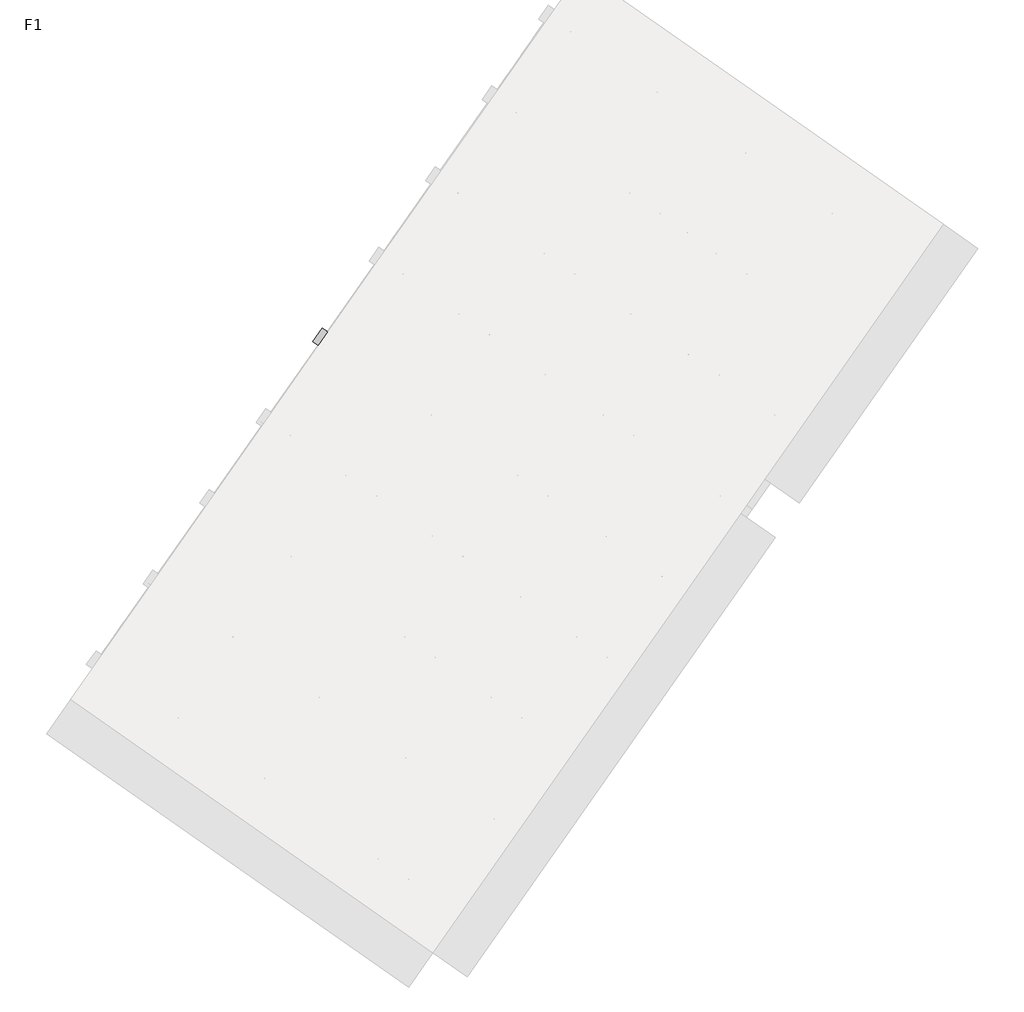
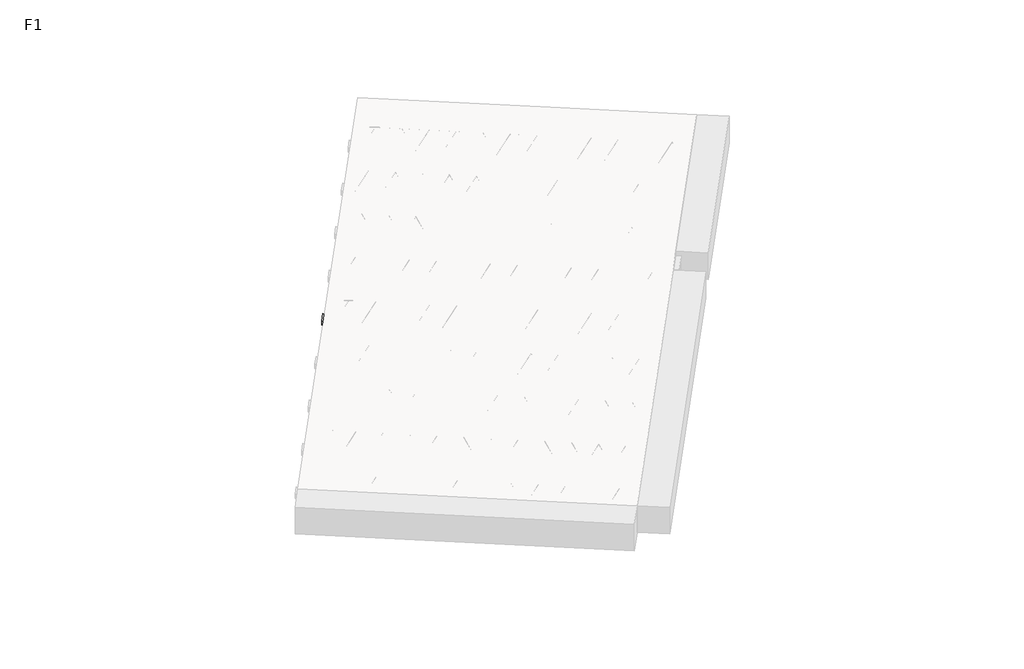
# One storey, part 8 of 30: 2 beams.
"""IFC4 building model written with IfcOpenShell, lengths in millimetres."""

from ifc_helpers import new_model, si_unit, point, frame, origin, origin_2d, place, context, project, spatial, polyline, circle_curve, trimmed, segment, composite_curve, outline, extrude, element, save

model = new_model("IFC4")

# Units and contexts
model_context = context("Model", 3, world=origin())
ifc_project = project(units=[si_unit("LENGTHUNIT", "METRE", prefix="MILLI")], contexts=[model_context])

# Site, building, storey
site = spatial("IfcSite", under=ifc_project)
building = spatial("IfcBuilding", under=site)
storey = spatial("IfcBuildingStorey", under=building, Name="F1", Elevation=99520.0)

# Beams
placement = place(None, origin())
element("IfcBeam", 1, at=placement, inside=storey, context=model_context, shape_type="SweptSolid", body=[
    extrude(outline(polyline([(5625.5151545, -2119.7294753), (5694.3443269, -2021.43123), (8348.3969503, -3879.8188839), (8279.5677779, -3978.1171292), (5625.5151545, -2119.7294753)])), frame((0.0, 0.0, 99720.0), z_axis=(0.0, 0.0, 1.0), x_axis=(1.0, 0.0, 0.0)), (0.0, 0.0, 1.0), 50.0),
    extrude(outline(composite_curve([segment(trimmed(circle_curve(origin_2d(), 2.5), [point((-2.5, 0.0))], [point((2.4999999, 0.0))], False, "CARTESIAN"), True, "CONTINUOUS"), segment(trimmed(circle_curve(origin_2d(), 2.5), [point((2.4999999, 0.0))], [point((-2.5, 0.0))], False, "CARTESIAN"), True, "CONTINUOUS")], self_intersect=False)), frame((8273.6739634, -3944.6916457, 99745.0), z_axis=(-0.8191520442696126, 0.5735764363787226, 0.0), x_axis=(0.5735764363787226, 0.8191520442696126, 0.0)), (0.0, 0.0, 1.0), 3192.0),
    extrude(outline(composite_curve([segment(trimmed(circle_curve(origin_2d(), 2.5), [point((-2.5000001, 0.0))], [point((2.5, 0.0))], False, "CARTESIAN"), True, "CONTINUOUS"), segment(trimmed(circle_curve(origin_2d(), 2.5), [point((2.5, 0.0))], [point((-2.5000001, 0.0))], False, "CARTESIAN"), True, "CONTINUOUS")], self_intersect=False)), frame((8154.2477155, -3817.1206014, 99970.0), z_axis=(-0.8191520442696126, 0.5735764363787226, 0.0), x_axis=(0.5735764363787226, 0.8191520442696126, 0.0)), (0.0, 0.0, 1.0), 2850.0),
    extrude(outline(composite_curve([segment(trimmed(circle_curve(origin_2d(), 2.5), [point((-2.5, 0.0))], [point((2.5, 0.0))], False, "CARTESIAN"), True, "CONTINUOUS"), segment(trimmed(circle_curve(origin_2d(), 2.5), [point((2.5, 0.0))], [point((-2.5, 0.0))], False, "CARTESIAN"), True, "CONTINUOUS")], self_intersect=False)), frame((8195.0353671, -3889.6283078, 99745.0), z_axis=(-0.3145304735701046, 0.38933448886848654, 0.8657304643902053), x_axis=(0.7778747638402499, 0.6284193279813057, 0.0)), (0.0, 0.0, 1.0), 259.8961331),
    extrude(outline(composite_curve([segment(trimmed(circle_curve(origin_2d(), 2.5), [point((2.5, 0.0))], [point((-2.5, 1e-07))], False, "CARTESIAN"), True, "CONTINUOUS"), segment(trimmed(circle_curve(origin_2d(), 2.5), [point((-2.5, 1e-07))], [point((2.5, 0.0))], False, "CARTESIAN"), True, "CONTINUOUS")], self_intersect=False)), frame((7990.247356, -3746.2341987, 99745.0), z_axis=(0.47343050384693375, -0.16240172737369005, 0.8657304643902051), x_axis=(-0.3244721671091268, -0.9458952440791246, 0.0)), (0.0, 0.0, 1.0), 259.8961331),
    extrude(outline(composite_curve([segment(trimmed(circle_curve(origin_2d(), 2.5), [point((-2.5, 0.0))], [point((2.5, 0.0))], False, "CARTESIAN"), True, "CONTINUOUS"), segment(trimmed(circle_curve(origin_2d(), 2.5), [point((2.5, 0.0))], [point((-2.5, 0.0))], False, "CARTESIAN"), True, "CONTINUOUS")], self_intersect=False)), frame((7990.247356, -3746.2341987, 99745.0), z_axis=(-0.3145304735701046, 0.38933448886848654, 0.8657304643902053), x_axis=(0.7778747638402499, 0.6284193279813057, 0.0)), (0.0, 0.0, 1.0), 259.8961331),
    extrude(outline(composite_curve([segment(trimmed(circle_curve(origin_2d(), 2.5), [point((2.5, 0.0))], [point((-2.5, 0.0))], False, "CARTESIAN"), True, "CONTINUOUS"), segment(trimmed(circle_curve(origin_2d(), 2.5), [point((-2.5, 0.0))], [point((2.5, 0.0))], False, "CARTESIAN"), True, "CONTINUOUS")], self_intersect=False)), frame((7785.459345, -3602.8400896, 99745.0), z_axis=(0.47343050384693375, -0.16240172737369005, 0.8657304643902051), x_axis=(-0.3244721671091268, -0.9458952440791246, 0.0)), (0.0, 0.0, 1.0), 259.8961331),
    extrude(outline(composite_curve([segment(trimmed(circle_curve(origin_2d(), 2.5), [point((-2.5, 0.0))], [point((2.5, 0.0))], False, "CARTESIAN"), True, "CONTINUOUS"), segment(trimmed(circle_curve(origin_2d(), 2.5), [point((2.5, 0.0))], [point((-2.5, 0.0))], False, "CARTESIAN"), True, "CONTINUOUS")], self_intersect=False)), frame((7785.459345, -3602.8400896, 99745.0), z_axis=(-0.3145304735701046, 0.38933448886848654, 0.8657304643902053), x_axis=(0.7778747638402499, 0.6284193279813057, 0.0)), (0.0, 0.0, 1.0), 259.8961331),
    extrude(outline(composite_curve([segment(trimmed(circle_curve(origin_2d(), 2.5), [point((2.5, 0.0))], [point((-2.5, 0.0))], False, "CARTESIAN"), True, "CONTINUOUS"), segment(trimmed(circle_curve(origin_2d(), 2.5), [point((-2.5, 0.0))], [point((2.5, 0.0))], False, "CARTESIAN"), True, "CONTINUOUS")], self_intersect=False)), frame((7580.6713339, -3459.4459805, 99745.0), z_axis=(0.47343050384693375, -0.16240172737369005, 0.8657304643902051), x_axis=(-0.3244721671091268, -0.9458952440791246, 0.0)), (0.0, 0.0, 1.0), 259.8961331),
    extrude(outline(composite_curve([segment(trimmed(circle_curve(origin_2d(), 2.5), [point((-2.5, 0.0))], [point((2.5, 0.0))], False, "CARTESIAN"), True, "CONTINUOUS"), segment(trimmed(circle_curve(origin_2d(), 2.5), [point((2.5, 0.0))], [point((-2.5, 0.0))], False, "CARTESIAN"), True, "CONTINUOUS")], self_intersect=False)), frame((7580.6713339, -3459.4459805, 99745.0), z_axis=(-0.3145304735701046, 0.38933448886848654, 0.8657304643902053), x_axis=(0.7778747638402499, 0.6284193279813057, 0.0)), (0.0, 0.0, 1.0), 259.8961331),
    extrude(outline(composite_curve([segment(trimmed(circle_curve(origin_2d(), 2.5), [point((2.5, 0.0))], [point((-2.5, 1e-07))], False, "CARTESIAN"), True, "CONTINUOUS"), segment(trimmed(circle_curve(origin_2d(), 2.5), [point((-2.5, 1e-07))], [point((2.5, 0.0))], False, "CARTESIAN"), True, "CONTINUOUS")], self_intersect=False)), frame((7375.8833228, -3316.0518714, 99745.0), z_axis=(0.47343050384693375, -0.16240172737369005, 0.8657304643902051), x_axis=(-0.3244721671091268, -0.9458952440791246, 0.0)), (0.0, 0.0, 1.0), 259.8961331),
    extrude(outline(composite_curve([segment(trimmed(circle_curve(origin_2d(), 2.5), [point((-2.5, 0.0))], [point((2.5, 0.0))], False, "CARTESIAN"), True, "CONTINUOUS"), segment(trimmed(circle_curve(origin_2d(), 2.5), [point((2.5, 0.0))], [point((-2.5, 0.0))], False, "CARTESIAN"), True, "CONTINUOUS")], self_intersect=False)), frame((7375.8833228, -3316.0518714, 99745.0), z_axis=(-0.3145304735701046, 0.38933448886848654, 0.8657304643902053), x_axis=(0.7778747638402499, 0.6284193279813057, 0.0)), (0.0, 0.0, 1.0), 259.8961331),
    extrude(outline(composite_curve([segment(trimmed(circle_curve(origin_2d(), 2.5), [point((2.5, 0.0))], [point((-2.5, 0.0))], False, "CARTESIAN"), True, "CONTINUOUS"), segment(trimmed(circle_curve(origin_2d(), 2.5), [point((-2.5, 0.0))], [point((2.5, 0.0))], False, "CARTESIAN"), True, "CONTINUOUS")], self_intersect=False)), frame((7171.0953118, -3172.6577623, 99745.0), z_axis=(0.47343050384693375, -0.16240172737369005, 0.8657304643902051), x_axis=(-0.3244721671091268, -0.9458952440791246, 0.0)), (0.0, 0.0, 1.0), 259.8961331),
    extrude(outline(composite_curve([segment(trimmed(circle_curve(origin_2d(), 2.5), [point((-2.5, 0.0))], [point((2.5, 0.0))], False, "CARTESIAN"), True, "CONTINUOUS"), segment(trimmed(circle_curve(origin_2d(), 2.5), [point((2.5, 0.0))], [point((-2.5, 0.0))], False, "CARTESIAN"), True, "CONTINUOUS")], self_intersect=False)), frame((7171.0953118, -3172.6577623, 99745.0), z_axis=(-0.3145304735701046, 0.38933448886848654, 0.8657304643902053), x_axis=(0.7778747638402499, 0.6284193279813057, 0.0)), (0.0, 0.0, 1.0), 259.8961331),
    extrude(outline(composite_curve([segment(trimmed(circle_curve(origin_2d(), 2.5), [point((2.5, 0.0))], [point((-2.5, 0.0))], False, "CARTESIAN"), True, "CONTINUOUS"), segment(trimmed(circle_curve(origin_2d(), 2.5), [point((-2.5, 0.0))], [point((2.5, 0.0))], False, "CARTESIAN"), True, "CONTINUOUS")], self_intersect=False)), frame((6966.3073007, -3029.2636532, 99745.0), z_axis=(0.47343050384693375, -0.16240172737369005, 0.8657304643902051), x_axis=(-0.3244721671091268, -0.9458952440791246, 0.0)), (0.0, 0.0, 1.0), 259.8961331),
    extrude(outline(composite_curve([segment(trimmed(circle_curve(origin_2d(), 2.5), [point((-2.5, 0.0))], [point((2.5, 0.0))], False, "CARTESIAN"), True, "CONTINUOUS"), segment(trimmed(circle_curve(origin_2d(), 2.5), [point((2.5, 0.0))], [point((-2.5, 0.0))], False, "CARTESIAN"), True, "CONTINUOUS")], self_intersect=False)), frame((6966.3073007, -3029.2636532, 99745.0), z_axis=(-0.3145304735701046, 0.38933448886848654, 0.8657304643902053), x_axis=(0.7778747638402499, 0.6284193279813057, 0.0)), (0.0, 0.0, 1.0), 259.8961331),
    extrude(outline(composite_curve([segment(trimmed(circle_curve(origin_2d(), 2.5), [point((2.5, 0.0))], [point((-2.5, 1e-07))], False, "CARTESIAN"), True, "CONTINUOUS"), segment(trimmed(circle_curve(origin_2d(), 2.5), [point((-2.5, 1e-07))], [point((2.5, 0.0))], False, "CARTESIAN"), True, "CONTINUOUS")], self_intersect=False)), frame((6761.5192896, -2885.8695441, 99745.0), z_axis=(0.47343050384693375, -0.16240172737369005, 0.8657304643902051), x_axis=(-0.3244721671091268, -0.9458952440791246, 0.0)), (0.0, 0.0, 1.0), 259.8961331),
    extrude(outline(composite_curve([segment(trimmed(circle_curve(origin_2d(), 2.5), [point((-2.5, 0.0))], [point((2.5, 0.0))], False, "CARTESIAN"), True, "CONTINUOUS"), segment(trimmed(circle_curve(origin_2d(), 2.5), [point((2.5, 0.0))], [point((-2.5, 0.0))], False, "CARTESIAN"), True, "CONTINUOUS")], self_intersect=False)), frame((6761.5192896, -2885.8695441, 99745.0), z_axis=(-0.3145304735701046, 0.38933448886848654, 0.8657304643902053), x_axis=(0.7778747638402499, 0.6284193279813057, 0.0)), (0.0, 0.0, 1.0), 259.8961331),
    extrude(outline(composite_curve([segment(trimmed(circle_curve(origin_2d(), 2.5), [point((2.5, 0.0))], [point((-2.5, 0.0))], False, "CARTESIAN"), True, "CONTINUOUS"), segment(trimmed(circle_curve(origin_2d(), 2.5), [point((-2.5, 0.0))], [point((2.5, 0.0))], False, "CARTESIAN"), True, "CONTINUOUS")], self_intersect=False)), frame((6556.7312786, -2742.475435, 99745.0), z_axis=(0.47343050384693375, -0.16240172737369005, 0.8657304643902051), x_axis=(-0.3244721671091268, -0.9458952440791246, 0.0)), (0.0, 0.0, 1.0), 259.8961331),
    extrude(outline(composite_curve([segment(trimmed(circle_curve(origin_2d(), 2.5), [point((-2.5, 0.0))], [point((2.5, 0.0))], False, "CARTESIAN"), True, "CONTINUOUS"), segment(trimmed(circle_curve(origin_2d(), 2.5), [point((2.5, 0.0))], [point((-2.5, 0.0))], False, "CARTESIAN"), True, "CONTINUOUS")], self_intersect=False)), frame((6556.7312786, -2742.475435, 99745.0), z_axis=(-0.3145304735701046, 0.38933448886848654, 0.8657304643902053), x_axis=(0.7778747638402499, 0.6284193279813057, 0.0)), (0.0, 0.0, 1.0), 259.8961331),
    extrude(outline(composite_curve([segment(trimmed(circle_curve(origin_2d(), 2.5), [point((2.5, 0.0))], [point((-2.5, 0.0))], False, "CARTESIAN"), True, "CONTINUOUS"), segment(trimmed(circle_curve(origin_2d(), 2.5), [point((-2.5, 0.0))], [point((2.5, 0.0))], False, "CARTESIAN"), True, "CONTINUOUS")], self_intersect=False)), frame((6351.9432675, -2599.0813259, 99745.0), z_axis=(0.47343050384693375, -0.16240172737369005, 0.8657304643902051), x_axis=(-0.3244721671091268, -0.9458952440791246, 0.0)), (0.0, 0.0, 1.0), 259.8961331),
    extrude(outline(composite_curve([segment(trimmed(circle_curve(origin_2d(), 2.5), [point((-2.5, 0.0))], [point((2.5, 0.0))], False, "CARTESIAN"), True, "CONTINUOUS"), segment(trimmed(circle_curve(origin_2d(), 2.5), [point((2.5, 0.0))], [point((-2.5, 0.0))], False, "CARTESIAN"), True, "CONTINUOUS")], self_intersect=False)), frame((6351.9432675, -2599.0813259, 99745.0), z_axis=(-0.3145304735701046, 0.38933448886848654, 0.8657304643902053), x_axis=(0.7778747638402499, 0.6284193279813057, 0.0)), (0.0, 0.0, 1.0), 259.8961331),
    extrude(outline(composite_curve([segment(trimmed(circle_curve(origin_2d(), 2.5), [point((2.5, 0.0))], [point((-2.5, 1e-07))], False, "CARTESIAN"), True, "CONTINUOUS"), segment(trimmed(circle_curve(origin_2d(), 2.5), [point((-2.5, 1e-07))], [point((2.5, 0.0))], False, "CARTESIAN"), True, "CONTINUOUS")], self_intersect=False)), frame((6147.1552564, -2455.6872168, 99745.0), z_axis=(0.47343050384693375, -0.16240172737369005, 0.8657304643902051), x_axis=(-0.3244721671091268, -0.9458952440791246, 0.0)), (0.0, 0.0, 1.0), 259.8961331),
    extrude(outline(composite_curve([segment(trimmed(circle_curve(origin_2d(), 2.5), [point((-2.5, 0.0))], [point((2.5, 0.0))], False, "CARTESIAN"), True, "CONTINUOUS"), segment(trimmed(circle_curve(origin_2d(), 2.5), [point((2.5, 0.0))], [point((-2.5, 0.0))], False, "CARTESIAN"), True, "CONTINUOUS")], self_intersect=False)), frame((6147.1552564, -2455.6872168, 99745.0), z_axis=(-0.3145304735701046, 0.38933448886848654, 0.8657304643902053), x_axis=(0.7778747638402499, 0.6284193279813057, 0.0)), (0.0, 0.0, 1.0), 259.8961331),
    extrude(outline(composite_curve([segment(trimmed(circle_curve(origin_2d(), 2.5), [point((2.5, -1e-07))], [point((-2.5, 0.0))], False, "CARTESIAN"), True, "CONTINUOUS"), segment(trimmed(circle_curve(origin_2d(), 2.5), [point((-2.5, 0.0))], [point((2.5, -1e-07))], False, "CARTESIAN"), True, "CONTINUOUS")], self_intersect=False)), frame((5942.3672454, -2312.2931077, 99745.0), z_axis=(0.47343050384693375, -0.16240172737369005, 0.8657304643902051), x_axis=(-0.3244721671091268, -0.9458952440791246, 0.0)), (0.0, 0.0, 1.0), 259.8961331),
    extrude(outline(composite_curve([segment(trimmed(circle_curve(origin_2d(), 2.5), [point((-2.5, 0.0))], [point((2.5, 0.0))], False, "CARTESIAN"), True, "CONTINUOUS"), segment(trimmed(circle_curve(origin_2d(), 2.5), [point((2.5, 0.0))], [point((-2.5, 0.0))], False, "CARTESIAN"), True, "CONTINUOUS")], self_intersect=False)), frame((5942.3672454, -2312.2931077, 99745.0), z_axis=(-0.3145304735701046, 0.38933448886848654, 0.8657304643902053), x_axis=(0.7778747638402499, 0.6284193279813057, 0.0)), (0.0, 0.0, 1.0), 259.8961331),
    extrude(outline(composite_curve([segment(trimmed(circle_curve(origin_2d(), 2.5), [point((2.5, 0.0))], [point((-2.5, 0.0))], False, "CARTESIAN"), True, "CONTINUOUS"), segment(trimmed(circle_curve(origin_2d(), 2.5), [point((-2.5, 0.0))], [point((2.5, 0.0))], False, "CARTESIAN"), True, "CONTINUOUS")], self_intersect=False)), frame((5737.5792343, -2168.8989986, 99745.0), z_axis=(0.47343050384693375, -0.16240172737369005, 0.8657304643902051), x_axis=(-0.3244721671091268, -0.9458952440791246, 0.0)), (0.0, 0.0, 1.0), 259.8961331),
    extrude(outline(composite_curve([segment(trimmed(circle_curve(origin_2d(), 2.5), [point((-2.5, 0.0))], [point((2.5, 0.0))], False, "CARTESIAN"), True, "CONTINUOUS"), segment(trimmed(circle_curve(origin_2d(), 2.5), [point((2.5, 0.0))], [point((-2.5, 0.0))], False, "CARTESIAN"), True, "CONTINUOUS")], self_intersect=False)), frame((8314.9714668, -3885.7126985, 99745.0), z_axis=(-0.8191520442696126, 0.5735764363787226, 0.0), x_axis=(0.5735764363787226, 0.8191520442696126, 0.0)), (0.0, 0.0, 1.0), 3192.0),
    extrude(outline(composite_curve([segment(trimmed(circle_curve(origin_2d(), 2.5), [point((-2.5, 0.0))], [point((2.5, 0.0))], False, "CARTESIAN"), True, "CONTINUOUS"), segment(trimmed(circle_curve(origin_2d(), 2.5), [point((2.5, 0.0))], [point((-2.5, 0.0))], False, "CARTESIAN"), True, "CONTINUOUS")], self_intersect=False)), frame((8236.3328705, -3830.6493606, 99745.0), z_axis=(-0.47343050384693375, 0.16240172737369005, 0.8657304643902051), x_axis=(0.3244721671091268, 0.9458952440791246, 0.0)), (0.0, 0.0, 1.0), 259.8961331),
    extrude(outline(composite_curve([segment(trimmed(circle_curve(origin_2d(), 2.5), [point((2.5000001, -1e-07))], [point((-2.5, 0.0))], False, "CARTESIAN"), True, "CONTINUOUS"), segment(trimmed(circle_curve(origin_2d(), 2.5), [point((-2.5, 0.0))], [point((2.5000001, -1e-07))], False, "CARTESIAN"), True, "CONTINUOUS")], self_intersect=False)), frame((8031.5448595, -3687.2552515, 99745.0), z_axis=(0.3145304735701046, -0.38933448886848654, 0.8657304643902053), x_axis=(-0.7778747638402499, -0.6284193279813057, 0.0)), (0.0, 0.0, 1.0), 259.8961331),
    extrude(outline(composite_curve([segment(trimmed(circle_curve(origin_2d(), 2.5), [point((-2.5, 1e-07))], [point((2.5, 0.0))], False, "CARTESIAN"), True, "CONTINUOUS"), segment(trimmed(circle_curve(origin_2d(), 2.5), [point((2.5, 0.0))], [point((-2.5, 1e-07))], False, "CARTESIAN"), True, "CONTINUOUS")], self_intersect=False)), frame((8031.5448595, -3687.2552515, 99745.0), z_axis=(-0.47343050384693375, 0.16240172737369005, 0.8657304643902051), x_axis=(0.3244721671091268, 0.9458952440791246, 0.0)), (0.0, 0.0, 1.0), 259.8961331),
    extrude(outline(composite_curve([segment(trimmed(circle_curve(origin_2d(), 2.5), [point((2.5, 0.0))], [point((-2.5, 0.0))], False, "CARTESIAN"), True, "CONTINUOUS"), segment(trimmed(circle_curve(origin_2d(), 2.5), [point((-2.5, 0.0))], [point((2.5, 0.0))], False, "CARTESIAN"), True, "CONTINUOUS")], self_intersect=False)), frame((7826.7568484, -3543.8611424, 99745.0), z_axis=(0.3145304735701046, -0.38933448886848654, 0.8657304643902053), x_axis=(-0.7778747638402499, -0.6284193279813057, 0.0)), (0.0, 0.0, 1.0), 259.8961331),
    extrude(outline(composite_curve([segment(trimmed(circle_curve(origin_2d(), 2.5), [point((-2.5, 0.0))], [point((2.5, 0.0))], False, "CARTESIAN"), True, "CONTINUOUS"), segment(trimmed(circle_curve(origin_2d(), 2.5), [point((2.5, 0.0))], [point((-2.5, 0.0))], False, "CARTESIAN"), True, "CONTINUOUS")], self_intersect=False)), frame((7826.7568484, -3543.8611424, 99745.0), z_axis=(-0.47343050384693375, 0.16240172737369005, 0.8657304643902051), x_axis=(0.3244721671091268, 0.9458952440791246, 0.0)), (0.0, 0.0, 1.0), 259.8961331),
    extrude(outline(composite_curve([segment(trimmed(circle_curve(origin_2d(), 2.5), [point((2.5, 0.0))], [point((-2.5, 0.0))], False, "CARTESIAN"), True, "CONTINUOUS"), segment(trimmed(circle_curve(origin_2d(), 2.5), [point((-2.5, 0.0))], [point((2.5, 0.0))], False, "CARTESIAN"), True, "CONTINUOUS")], self_intersect=False)), frame((7621.9688373, -3400.4670333, 99745.0), z_axis=(0.3145304735701046, -0.38933448886848654, 0.8657304643902053), x_axis=(-0.7778747638402499, -0.6284193279813057, 0.0)), (0.0, 0.0, 1.0), 259.8961331),
    extrude(outline(composite_curve([segment(trimmed(circle_curve(origin_2d(), 2.5), [point((-2.5, 0.0))], [point((2.5, 0.0))], False, "CARTESIAN"), True, "CONTINUOUS"), segment(trimmed(circle_curve(origin_2d(), 2.5), [point((2.5, 0.0))], [point((-2.5, 0.0))], False, "CARTESIAN"), True, "CONTINUOUS")], self_intersect=False)), frame((7621.9688373, -3400.4670333, 99745.0), z_axis=(-0.47343050384693375, 0.16240172737369005, 0.8657304643902051), x_axis=(0.3244721671091268, 0.9458952440791246, 0.0)), (0.0, 0.0, 1.0), 259.8961331),
    extrude(outline(composite_curve([segment(trimmed(circle_curve(origin_2d(), 2.5), [point((2.5000001, -1e-07))], [point((-2.5, 0.0))], False, "CARTESIAN"), True, "CONTINUOUS"), segment(trimmed(circle_curve(origin_2d(), 2.5), [point((-2.5, 0.0))], [point((2.5000001, -1e-07))], False, "CARTESIAN"), True, "CONTINUOUS")], self_intersect=False)), frame((7417.1808263, -3257.0729242, 99745.0), z_axis=(0.3145304735701046, -0.38933448886848654, 0.8657304643902053), x_axis=(-0.7778747638402499, -0.6284193279813057, 0.0)), (0.0, 0.0, 1.0), 259.8961331),
    extrude(outline(composite_curve([segment(trimmed(circle_curve(origin_2d(), 2.5), [point((-2.5, 1e-07))], [point((2.5, 0.0))], False, "CARTESIAN"), True, "CONTINUOUS"), segment(trimmed(circle_curve(origin_2d(), 2.5), [point((2.5, 0.0))], [point((-2.5, 1e-07))], False, "CARTESIAN"), True, "CONTINUOUS")], self_intersect=False)), frame((7417.1808263, -3257.0729242, 99745.0), z_axis=(-0.47343050384693375, 0.16240172737369005, 0.8657304643902051), x_axis=(0.3244721671091268, 0.9458952440791246, 0.0)), (0.0, 0.0, 1.0), 259.8961331),
    extrude(outline(composite_curve([segment(trimmed(circle_curve(origin_2d(), 2.5), [point((2.5, 0.0))], [point((-2.5, 0.0))], False, "CARTESIAN"), True, "CONTINUOUS"), segment(trimmed(circle_curve(origin_2d(), 2.5), [point((-2.5, 0.0))], [point((2.5, 0.0))], False, "CARTESIAN"), True, "CONTINUOUS")], self_intersect=False)), frame((7212.3928152, -3113.6788151, 99745.0), z_axis=(0.3145304735701046, -0.38933448886848654, 0.8657304643902053), x_axis=(-0.7778747638402499, -0.6284193279813057, 0.0)), (0.0, 0.0, 1.0), 259.8961331),
    extrude(outline(composite_curve([segment(trimmed(circle_curve(origin_2d(), 2.5), [point((-2.5, 0.0))], [point((2.5, 0.0))], False, "CARTESIAN"), True, "CONTINUOUS"), segment(trimmed(circle_curve(origin_2d(), 2.5), [point((2.5, 0.0))], [point((-2.5, 0.0))], False, "CARTESIAN"), True, "CONTINUOUS")], self_intersect=False)), frame((7212.3928152, -3113.6788151, 99745.0), z_axis=(-0.47343050384693375, 0.16240172737369005, 0.8657304643902051), x_axis=(0.3244721671091268, 0.9458952440791246, 0.0)), (0.0, 0.0, 1.0), 259.8961331),
    extrude(outline(composite_curve([segment(trimmed(circle_curve(origin_2d(), 2.5), [point((2.5, 0.0))], [point((-2.5, 0.0))], False, "CARTESIAN"), True, "CONTINUOUS"), segment(trimmed(circle_curve(origin_2d(), 2.5), [point((-2.5, 0.0))], [point((2.5, 0.0))], False, "CARTESIAN"), True, "CONTINUOUS")], self_intersect=False)), frame((7007.6048041, -2970.284706, 99745.0), z_axis=(0.3145304735701046, -0.38933448886848654, 0.8657304643902053), x_axis=(-0.7778747638402499, -0.6284193279813057, 0.0)), (0.0, 0.0, 1.0), 259.8961331),
    extrude(outline(composite_curve([segment(trimmed(circle_curve(origin_2d(), 2.5), [point((-2.5, 0.0))], [point((2.5, 0.0))], False, "CARTESIAN"), True, "CONTINUOUS"), segment(trimmed(circle_curve(origin_2d(), 2.5), [point((2.5, 0.0))], [point((-2.5, 0.0))], False, "CARTESIAN"), True, "CONTINUOUS")], self_intersect=False)), frame((7007.6048041, -2970.284706, 99745.0), z_axis=(-0.47343050384693375, 0.16240172737369005, 0.8657304643902051), x_axis=(0.3244721671091268, 0.9458952440791246, 0.0)), (0.0, 0.0, 1.0), 259.8961331),
    extrude(outline(composite_curve([segment(trimmed(circle_curve(origin_2d(), 2.5), [point((2.5000001, -1e-07))], [point((-2.5, 0.0))], False, "CARTESIAN"), True, "CONTINUOUS"), segment(trimmed(circle_curve(origin_2d(), 2.5), [point((-2.5, 0.0))], [point((2.5000001, -1e-07))], False, "CARTESIAN"), True, "CONTINUOUS")], self_intersect=False)), frame((6802.8167931, -2826.8905969, 99745.0), z_axis=(0.3145304735701046, -0.38933448886848654, 0.8657304643902053), x_axis=(-0.7778747638402499, -0.6284193279813057, 0.0)), (0.0, 0.0, 1.0), 259.8961331),
    extrude(outline(composite_curve([segment(trimmed(circle_curve(origin_2d(), 2.5), [point((-2.5, 1e-07))], [point((2.5, 0.0))], False, "CARTESIAN"), True, "CONTINUOUS"), segment(trimmed(circle_curve(origin_2d(), 2.5), [point((2.5, 0.0))], [point((-2.5, 1e-07))], False, "CARTESIAN"), True, "CONTINUOUS")], self_intersect=False)), frame((6802.8167931, -2826.8905969, 99745.0), z_axis=(-0.47343050384693375, 0.16240172737369005, 0.8657304643902051), x_axis=(0.3244721671091268, 0.9458952440791246, 0.0)), (0.0, 0.0, 1.0), 259.8961331),
    extrude(outline(composite_curve([segment(trimmed(circle_curve(origin_2d(), 2.5), [point((2.5, 0.0))], [point((-2.5, 0.0))], False, "CARTESIAN"), True, "CONTINUOUS"), segment(trimmed(circle_curve(origin_2d(), 2.5), [point((-2.5, 0.0))], [point((2.5, 0.0))], False, "CARTESIAN"), True, "CONTINUOUS")], self_intersect=False)), frame((6598.028782, -2683.4964878, 99745.0), z_axis=(0.3145304735701046, -0.38933448886848654, 0.8657304643902053), x_axis=(-0.7778747638402499, -0.6284193279813057, 0.0)), (0.0, 0.0, 1.0), 259.8961331),
    extrude(outline(composite_curve([segment(trimmed(circle_curve(origin_2d(), 2.5), [point((-2.5, 0.0))], [point((2.5, 0.0))], False, "CARTESIAN"), True, "CONTINUOUS"), segment(trimmed(circle_curve(origin_2d(), 2.5), [point((2.5, 0.0))], [point((-2.5, 0.0))], False, "CARTESIAN"), True, "CONTINUOUS")], self_intersect=False)), frame((6598.028782, -2683.4964878, 99745.0), z_axis=(-0.47343050384693375, 0.16240172737369005, 0.8657304643902051), x_axis=(0.3244721671091268, 0.9458952440791246, 0.0)), (0.0, 0.0, 1.0), 259.8961331),
    extrude(outline(composite_curve([segment(trimmed(circle_curve(origin_2d(), 2.5), [point((2.5, 1e-07))], [point((-2.5, 0.0))], False, "CARTESIAN"), True, "CONTINUOUS"), segment(trimmed(circle_curve(origin_2d(), 2.5), [point((-2.5, 0.0))], [point((2.5, 1e-07))], False, "CARTESIAN"), True, "CONTINUOUS")], self_intersect=False)), frame((6393.2407709, -2540.1023787, 99745.0), z_axis=(0.3145304735701046, -0.38933448886848654, 0.8657304643902053), x_axis=(-0.7778747638402499, -0.6284193279813057, 0.0)), (0.0, 0.0, 1.0), 259.8961331),
    extrude(outline(composite_curve([segment(trimmed(circle_curve(origin_2d(), 2.5), [point((-2.5, 0.0))], [point((2.5, 0.0))], False, "CARTESIAN"), True, "CONTINUOUS"), segment(trimmed(circle_curve(origin_2d(), 2.5), [point((2.5, 0.0))], [point((-2.5, 0.0))], False, "CARTESIAN"), True, "CONTINUOUS")], self_intersect=False)), frame((6393.2407709, -2540.1023787, 99745.0), z_axis=(-0.47343050384693375, 0.16240172737369005, 0.8657304643902051), x_axis=(0.3244721671091268, 0.9458952440791246, 0.0)), (0.0, 0.0, 1.0), 259.8961331),
    extrude(outline(composite_curve([segment(trimmed(circle_curve(origin_2d(), 2.5), [point((2.5000001, 0.0))], [point((-2.5, 0.0))], False, "CARTESIAN"), True, "CONTINUOUS"), segment(trimmed(circle_curve(origin_2d(), 2.5), [point((-2.5, 0.0))], [point((2.5000001, 0.0))], False, "CARTESIAN"), True, "CONTINUOUS")], self_intersect=False)), frame((6188.4527599, -2396.7082696, 99745.0), z_axis=(0.3145304735701046, -0.38933448886848654, 0.8657304643902053), x_axis=(-0.7778747638402499, -0.6284193279813057, 0.0)), (0.0, 0.0, 1.0), 259.8961331),
    extrude(outline(composite_curve([segment(trimmed(circle_curve(origin_2d(), 2.5), [point((-2.5, 1e-07))], [point((2.5, 0.0))], False, "CARTESIAN"), True, "CONTINUOUS"), segment(trimmed(circle_curve(origin_2d(), 2.5), [point((2.5, 0.0))], [point((-2.5, 1e-07))], False, "CARTESIAN"), True, "CONTINUOUS")], self_intersect=False)), frame((6188.4527599, -2396.7082696, 99745.0), z_axis=(-0.47343050384693375, 0.16240172737369005, 0.8657304643902051), x_axis=(0.3244721671091268, 0.9458952440791246, 0.0)), (0.0, 0.0, 1.0), 259.8961331),
    extrude(outline(composite_curve([segment(trimmed(circle_curve(origin_2d(), 2.5), [point((2.5, 1e-07))], [point((-2.5, 0.0))], False, "CARTESIAN"), True, "CONTINUOUS"), segment(trimmed(circle_curve(origin_2d(), 2.5), [point((-2.5, 0.0))], [point((2.5, 1e-07))], False, "CARTESIAN"), True, "CONTINUOUS")], self_intersect=False)), frame((5983.6647488, -2253.3141605, 99745.0), z_axis=(0.3145304735701046, -0.38933448886848654, 0.8657304643902053), x_axis=(-0.7778747638402499, -0.6284193279813057, 0.0)), (0.0, 0.0, 1.0), 259.8961331),
    extrude(outline(composite_curve([segment(trimmed(circle_curve(origin_2d(), 2.5), [point((-2.5000001, 0.0))], [point((2.5, 0.0))], False, "CARTESIAN"), True, "CONTINUOUS"), segment(trimmed(circle_curve(origin_2d(), 2.5), [point((2.5, 0.0))], [point((-2.5000001, 0.0))], False, "CARTESIAN"), True, "CONTINUOUS")], self_intersect=False)), frame((5983.6647488, -2253.3141605, 99745.0), z_axis=(-0.47343050384693375, 0.16240172737369005, 0.8657304643902051), x_axis=(0.3244721671091268, 0.9458952440791246, 0.0)), (0.0, 0.0, 1.0), 259.8961331),
    extrude(outline(composite_curve([segment(trimmed(circle_curve(origin_2d(), 2.5), [point((2.5, 1e-07))], [point((-2.5, 0.0))], False, "CARTESIAN"), True, "CONTINUOUS"), segment(trimmed(circle_curve(origin_2d(), 2.5), [point((-2.5, 0.0))], [point((2.5, 1e-07))], False, "CARTESIAN"), True, "CONTINUOUS")], self_intersect=False)), frame((5778.8767377, -2109.9200514, 99745.0), z_axis=(0.3145304735701046, -0.38933448886848654, 0.8657304643902053), x_axis=(-0.7778747638402499, -0.6284193279813057, 0.0)), (0.0, 0.0, 1.0), 259.8961331),
])
element("IfcBeam", 2, at=placement, inside=storey, context=model_context, shape_type="SweptSolid", body=[
    extrude(outline(polyline([(6027.01866, -1546.3230443), (6095.8478323, -1448.024799), (8749.9004558, -3306.4124529), (8681.0712834, -3404.7106982), (6027.01866, -1546.3230443)])), frame((0.0, 0.0, 99720.0), z_axis=(0.0, 0.0, 1.0), x_axis=(1.0, 0.0, 0.0)), (0.0, 0.0, 1.0), 50.0),
])

save(model, "model.ifc")
